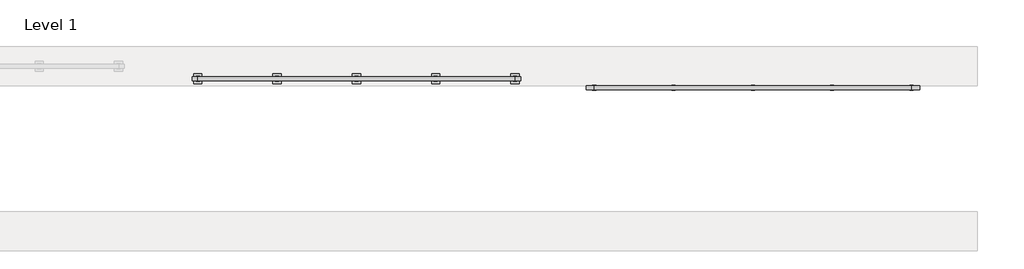
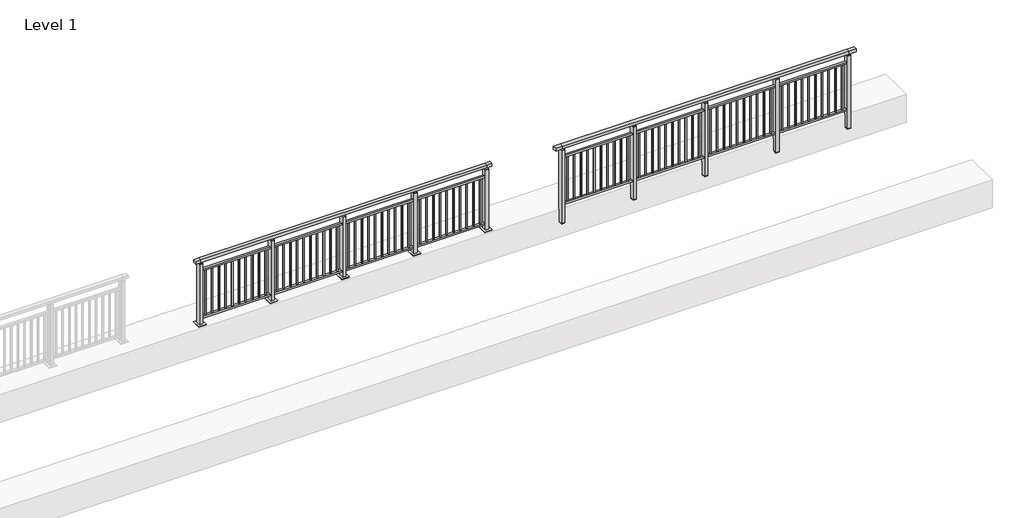
# One storey, part 5 of 38: 2 railings.
"""IFC4 building model written with IfcOpenShell, lengths in millimetres."""

import ifcopenshell
import ifcopenshell.guid

model = None  # the IFC model being written
_history = None  # IfcOwnerHistory: only IFC2X3 demands one
_inside = {}  # id of a spatial element -> (the spatial element, [elements in it])
_under = {}  # id of a project, library or spatial element -> (it, [spatial elements below it])
_declared = {}  # id of a project -> (the project, [libraries it declares])
_typed = {}  # id of a type object -> (the type object, [elements of that type])
_made_of = {}  # id of a material, layer set ... -> (it, [elements and type objects made of it])


def new_model(schema):
    """Start an empty IFC model of exactly this schema.

    Asked for "IFC4X3", IfcOpenShell would pick the latest addendum, in which some entities
    have other attributes; the version numbers below select the first issue.
    IFC2X3 requires an IfcOwnerHistory on every rooted entity: one is made here for all.
    """
    global model, _history
    if schema == "IFC4X3":
        model = ifcopenshell.file(schema_version=(4, 3, 0, 0))
    else:
        model = ifcopenshell.file(schema=schema)
    _inside.clear()
    _under.clear()
    _declared.clear()
    _typed.clear()
    _made_of.clear()
    _history = None
    if model.schema == "IFC2X3":
        org = make("IfcOrganization", Name="unknown")
        user = make(
            "IfcPersonAndOrganization",
            ThePerson=make("IfcPerson", FamilyName="unknown"),
            TheOrganization=org,
        )
        app = make(
            "IfcApplication",
            ApplicationDeveloper=org,
            Version="unknown",
            ApplicationFullName="unknown",
            ApplicationIdentifier="unknown",
        )
        _history = make(
            "IfcOwnerHistory",
            OwningUser=user,
            OwningApplication=app,
            ChangeAction="ADDED",
            CreationDate=0,
        )
    return model


def make(cls, **values):
    """One entity of the class cls with the attributes given. An attribute that is None is left unset."""
    return model.create_entity(
        cls, **{name: value for name, value in values.items() if value is not None}
    )


def rooted(cls, **values):
    """An entity with a GlobalId (a new one), such as an element, a storey or a relation."""
    return make(cls, GlobalId=ifcopenshell.guid.new(), OwnerHistory=_history, **values)


def si_unit(unit_type, name, prefix=None):
    """IfcSIUnit, for example si_unit("LENGTHUNIT", "METRE", prefix="MILLI")."""
    return make("IfcSIUnit", UnitType=unit_type, Prefix=prefix, Name=name)


def assignment(units):
    """IfcUnitAssignment: the units of a project."""
    return None if units is None else make("IfcUnitAssignment", Units=units)


def point(xyz):
    """IfcCartesianPoint."""
    return None if xyz is None else make("IfcCartesianPoint", Coordinates=xyz)


def direction(xyz):
    """IfcDirection."""
    return None if xyz is None else make("IfcDirection", DirectionRatios=xyz)


def frame(location, z_axis=None, x_axis=None):
    """IfcAxis2Placement3D, a coordinate frame: its origin and axes. An axis left out is left unset."""
    return make(
        "IfcAxis2Placement3D",
        Location=point(location),
        Axis=direction(z_axis),
        RefDirection=direction(x_axis),
    )


def origin():
    """The frame at (0, 0, 0) with its axes left unset."""
    return frame((0.0, 0.0, 0.0))


def origin_with_axes():
    """The frame at (0, 0, 0) with the z axis (0, 0, 1) and the x axis (1, 0, 0) written out."""
    return frame((0.0, 0.0, 0.0), z_axis=(0.0, 0.0, 1.0), x_axis=(1.0, 0.0, 0.0))


def place(relative_to, where):
    """IfcLocalPlacement: puts the frame where relative to a parent placement (None: the world)."""
    return make(
        "IfcLocalPlacement", PlacementRelTo=relative_to, RelativePlacement=where
    )


def context(
    kind, dimensions, precision=None, world=None, true_north=None, identifier=None
):
    """IfcGeometricRepresentationContext, for example the 3D "Model" context."""
    return make(
        "IfcGeometricRepresentationContext",
        ContextIdentifier=identifier,
        ContextType=kind,
        CoordinateSpaceDimension=dimensions,
        Precision=precision,
        WorldCoordinateSystem=world,
        TrueNorth=true_north,
    )


def project(units=None, contexts=None):
    """IfcProject with its units and contexts."""
    return rooted(
        "IfcProject",
        Name="project",
        RepresentationContexts=contexts,
        UnitsInContext=assignment(units),
    )


def spatial(cls, under=None, at=None, **own):
    """A site, building, storey or space (cls), placed at a placement, below another one or the project."""
    s = rooted(cls, ObjectPlacement=at, **own)
    if under is not None:
        _under.setdefault(under.id(), (under, []))[1].append(s)
    return s


def polyline(points):
    """IfcPolyline through the points."""
    return make("IfcPolyline", Points=[point(p) for p in points])


def outline(outer, holes=None, kind="AREA"):
    """IfcArbitraryClosedProfileDef: a profile drawn as a closed curve; with holes, ...WithVoids."""
    if holes is None:
        return make("IfcArbitraryClosedProfileDef", ProfileType=kind, OuterCurve=outer)
    return make(
        "IfcArbitraryProfileDefWithVoids",
        ProfileType=kind,
        OuterCurve=outer,
        InnerCurves=holes,
    )


def extrude(swept, where, along, depth):
    """IfcExtrudedAreaSolid: the profile swept, set in the frame where, extruded along a direction by depth."""
    return make(
        "IfcExtrudedAreaSolid",
        SweptArea=swept,
        Position=where,
        ExtrudedDirection=direction(along),
        Depth=depth,
    )


def faces_of(points, faces, orient=None, outer=None):
    """IfcFace entities. A face is a list of loops; a loop is a list of indices into points, from 0.

    orient and outer hold one flag for each loop. By default every Orientation is true, the
    first loop of a face is its IfcFaceOuterBound and the others are IfcFaceBound.
    """
    made = []
    for i, loops in enumerate(faces):
        bounds = []
        for j, loop in enumerate(loops):
            is_outer = j == 0 if outer is None else outer[i][j]
            bounds.append(
                make(
                    "IfcFaceOuterBound" if is_outer else "IfcFaceBound",
                    Bound=make("IfcPolyLoop", Polygon=[points[k] for k in loop]),
                    Orientation=True if orient is None else orient[i][j],
                )
            )
        made.append(make("IfcFace", Bounds=bounds))
    return made


def faceted_brep(points, faces, orient=None, outer=None, voids=None):
    """IfcFacetedBrep: a solid bounded by flat faces; with voids (closed shells), ...WithVoids."""
    shared = [point(p) for p in points]
    hull = make("IfcClosedShell", CfsFaces=faces_of(shared, faces, orient, outer))
    if voids is None:
        return make("IfcFacetedBrep", Outer=hull)
    return make(
        "IfcFacetedBrepWithVoids",
        Outer=hull,
        Voids=[
            make(cls, CfsFaces=faces_of(shared, fs, o, b)) for cls, fs, o, b in voids
        ],
    )


def shape(context_of_items, identifier, shape_type, items):
    """IfcShapeRepresentation: the items that make up one representation, for example the "Body"."""
    return make(
        "IfcShapeRepresentation",
        ContextOfItems=context_of_items,
        RepresentationIdentifier=identifier,
        RepresentationType=shape_type,
        Items=items,
    )


def made_of(thing, what):
    """Note that an element or type object is made of a material, layer set ...; save() writes the relation."""
    if what is not None:
        _made_of.setdefault(what.id(), (what, []))[1].append(thing)
    return thing


def element(
    cls,
    number,
    at=None,
    inside=None,
    cuts=None,
    type_object=None,
    material=None,
    context=None,
    identifier="Body",
    shape_type=None,
    held_by="IfcProductDefinitionShape",
    body=None,
    shapes=None,
    **own,
):
    """One element of the class cls, such as IfcWall. Its Tag is "e" and its number.

    at: its placement. inside: the storey or other place that contains it. cuts: it is an
    opening in that element (IfcRelVoidsElement). A single representation is given by context,
    identifier, shape_type and body (its items); several are given by shapes. held_by: the class
    of the entity that holds the representations. save() writes the other relations.
    """
    e = rooted(cls, Tag="e%d" % number, ObjectPlacement=at, **own)
    if body is not None:
        shapes = [shape(context, identifier, shape_type, body)]
    if shapes is not None:
        e.Representation = make(held_by, Representations=shapes)
    if inside is not None:
        _inside.setdefault(inside.id(), (inside, []))[1].append(e)
    if cuts is not None:
        rooted(
            "IfcRelVoidsElement", RelatingBuildingElement=cuts, RelatedOpeningElement=e
        )
    if type_object is not None:
        _typed.setdefault(type_object.id(), (type_object, []))[1].append(e)
    return made_of(e, material)


def aggregate(whole, parts):
    """IfcRelAggregates: a whole, such as a stair, and the parts it consists of."""
    return rooted("IfcRelAggregates", RelatingObject=whole, RelatedObjects=parts)


def save(model, path):
    """Write the relations noted so far, then the file.

    IfcRelAggregates (storeys below a building ...), IfcRelContainedInSpatialStructure (elements
    in a storey), IfcRelDefinesByType, IfcRelAssociatesMaterial and IfcRelDeclares: one each for
    every whole, place, type object, material and project.
    """
    for whole, parts in _under.values():
        aggregate(whole, parts)
    for where, things in _inside.values():
        rooted(
            "IfcRelContainedInSpatialStructure",
            RelatedElements=things,
            RelatingStructure=where,
        )
    for kind, things in _typed.values():
        rooted("IfcRelDefinesByType", RelatedObjects=things, RelatingType=kind)
    for what, things in _made_of.values():
        rooted("IfcRelAssociatesMaterial", RelatedObjects=things, RelatingMaterial=what)
    for by, libraries in _declared.values():
        rooted("IfcRelDeclares", RelatingContext=by, RelatedDefinitions=libraries)
    model.write(path)


model = new_model("IFC4")

# Units and contexts
model_context = context("Model", 3, world=origin())
ifc_project = project(units=[si_unit("LENGTHUNIT", "METRE", prefix="MILLI")], contexts=[model_context])

# Site, building, storey
site = spatial("IfcSite", under=ifc_project)
building = spatial("IfcBuilding", under=site)
storey = spatial("IfcBuildingStorey", under=building, Name="Level 1", Elevation=0.0)

# Railings
placement = place(None, origin())
element("IfcRailing", 1, at=placement, inside=storey, context=model_context, shape_type="SolidModel", body=[
    faceted_brep([(12000.0, 2397.6846828, 1102.5), (12000.0, 2397.6846828, 1150.0), (16800.0, 2397.6846828, 1150.0), (16800.0, 2397.6846828, 1102.5), (12000.0, 2337.6846828, 1102.5), (16800.0, 2337.6846828, 1102.5), (12000.0, 2337.6846828, 1150.0), (16800.0, 2337.6846828, 1150.0), (11877.0, 2397.6846828, 1150.0), (11877.0, 2397.6846828, 1102.5), (11877.0, 2337.6846828, 1102.5), (11877.0, 2337.6846828, 1150.0), (16923.0, 2397.6846828, 1150.0), (16923.0, 2337.6846828, 1150.0), (16923.0, 2337.6846828, 1102.5), (16923.0, 2397.6846828, 1102.5)], [[[0, 1, 2, 3]], [[4, 0, 3, 5]], [[6, 4, 5, 7]], [[1, 6, 7, 2]], [[8, 9, 10, 11]], [[9, 8, 1, 0]], [[10, 9, 0, 4]], [[11, 10, 4, 6]], [[8, 11, 6, 1]], [[12, 13, 14, 15]], [[3, 2, 12, 15]], [[5, 3, 15, 14]], [[7, 5, 14, 13]], [[2, 7, 13, 12]]]),
    extrude(outline(polyline([(12000.0, 2349.6846828), (12000.0, 2385.6846828), (16800.0, 2385.6846828), (16800.0, 2349.6846828), (12000.0, 2349.6846828)])), frame((0.0, 0.0, 928.0), z_axis=(0.0, 0.0, 1.0), x_axis=(1.0, 0.0, 0.0)), (0.0, 0.0, 1.0), 32.0),
    extrude(outline(polyline([(12000.0, 2349.6846828), (12000.0, 2385.6846828), (16800.0, 2385.6846828), (16800.0, 2349.6846828), (12000.0, 2349.6846828)])), frame((0.0, 0.0, 93.0), z_axis=(0.0, 0.0, 1.0), x_axis=(1.0, 0.0, 0.0)), (0.0, 0.0, 1.0), 32.0),
    extrude(outline(polyline([(16712.5, 2359.1846828), (16695.5, 2359.1846828), (16695.5, 2376.1846828), (16712.5, 2376.1846828), (16712.5, 2359.1846828)])), frame((0.0, 0.0, 125.0), z_axis=(0.0, 0.0, 1.0), x_axis=(1.0, 0.0, 0.0)), (0.0, 0.0, 1.0), 803.0),
    extrude(outline(polyline([(16600.5, 2359.1846828), (16583.5, 2359.1846828), (16583.5, 2376.1846828), (16600.5, 2376.1846828), (16600.5, 2359.1846828)])), frame((0.0, 0.0, 125.0), z_axis=(0.0, 0.0, 1.0), x_axis=(1.0, 0.0, 0.0)), (0.0, 0.0, 1.0), 803.0),
    extrude(outline(polyline([(16488.5, 2359.1846828), (16471.5, 2359.1846828), (16471.5, 2376.1846828), (16488.5, 2376.1846828), (16488.5, 2359.1846828)])), frame((0.0, 0.0, 125.0), z_axis=(0.0, 0.0, 1.0), x_axis=(1.0, 0.0, 0.0)), (0.0, 0.0, 1.0), 803.0),
    extrude(outline(polyline([(16376.5, 2359.1846828), (16359.5, 2359.1846828), (16359.5, 2376.1846828), (16376.5, 2376.1846828), (16376.5, 2359.1846828)])), frame((0.0, 0.0, 125.0), z_axis=(0.0, 0.0, 1.0), x_axis=(1.0, 0.0, 0.0)), (0.0, 0.0, 1.0), 803.0),
    extrude(outline(polyline([(16264.5, 2359.1846828), (16247.5, 2359.1846828), (16247.5, 2376.1846828), (16264.5, 2376.1846828), (16264.5, 2359.1846828)])), frame((0.0, 0.0, 125.0), z_axis=(0.0, 0.0, 1.0), x_axis=(1.0, 0.0, 0.0)), (0.0, 0.0, 1.0), 803.0),
    extrude(outline(polyline([(16152.5, 2359.1846828), (16135.5, 2359.1846828), (16135.5, 2376.1846828), (16152.5, 2376.1846828), (16152.5, 2359.1846828)])), frame((0.0, 0.0, 125.0), z_axis=(0.0, 0.0, 1.0), x_axis=(1.0, 0.0, 0.0)), (0.0, 0.0, 1.0), 803.0),
    extrude(outline(polyline([(16040.5, 2359.1846828), (16023.5, 2359.1846828), (16023.5, 2376.1846828), (16040.5, 2376.1846828), (16040.5, 2359.1846828)])), frame((0.0, 0.0, 125.0), z_axis=(0.0, 0.0, 1.0), x_axis=(1.0, 0.0, 0.0)), (0.0, 0.0, 1.0), 803.0),
    extrude(outline(polyline([(15928.5, 2359.1846828), (15911.5, 2359.1846828), (15911.5, 2376.1846828), (15928.5, 2376.1846828), (15928.5, 2359.1846828)])), frame((0.0, 0.0, 125.0), z_axis=(0.0, 0.0, 1.0), x_axis=(1.0, 0.0, 0.0)), (0.0, 0.0, 1.0), 803.0),
    extrude(outline(polyline([(15816.5, 2359.1846828), (15799.5, 2359.1846828), (15799.5, 2376.1846828), (15816.5, 2376.1846828), (15816.5, 2359.1846828)])), frame((0.0, 0.0, 125.0), z_axis=(0.0, 0.0, 1.0), x_axis=(1.0, 0.0, 0.0)), (0.0, 0.0, 1.0), 803.0),
    extrude(outline(polyline([(15704.5, 2359.1846828), (15687.5, 2359.1846828), (15687.5, 2376.1846828), (15704.5, 2376.1846828), (15704.5, 2359.1846828)])), frame((0.0, 0.0, 125.0), z_axis=(0.0, 0.0, 1.0), x_axis=(1.0, 0.0, 0.0)), (0.0, 0.0, 1.0), 803.0),
    extrude(outline(polyline([(15627.0, 2406.6846828), (15627.0, 2328.6846828), (15573.0, 2328.6846828), (15573.0, 2406.6846828), (15627.0, 2406.6846828)])), frame((0.0, 0.0, 1077.0), z_axis=(0.0, 0.0, 1.0), x_axis=(1.0, 0.0, 0.0)), (0.0, 0.0, 1.0), 8.0),
    extrude(outline(polyline([(15627.0, 2406.6846828), (15627.0, 2328.6846828), (15573.0, 2328.6846828), (15573.0, 2406.6846828), (15627.0, 2406.6846828)])), frame((0.0, 0.0, -212.0), z_axis=(0.0, 0.0, 1.0), x_axis=(1.0, 0.0, 0.0)), (0.0, 0.0, 1.0), 1289.0),
    extrude(outline(polyline([(15610.0, 2377.6846828), (15610.0, 2357.6846828), (15590.0, 2357.6846828), (15590.0, 2377.6846828), (15610.0, 2377.6846828)])), frame((0.0, 0.0, 1085.0), z_axis=(0.0, 0.0, 1.0), x_axis=(1.0, 0.0, 0.0)), (0.0, 0.0, 1.0), 20.0),
    extrude(outline(polyline([(15627.0, 2406.6846828), (15627.0, 2328.6846828), (15573.0, 2328.6846828), (15573.0, 2406.6846828), (15627.0, 2406.6846828)])), frame((0.0, 0.0, -220.0), z_axis=(0.0, 0.0, 1.0), x_axis=(1.0, 0.0, 0.0)), (0.0, 0.0, 1.0), 8.0),
    extrude(outline(polyline([(15512.5, 2359.1846828), (15495.5, 2359.1846828), (15495.5, 2376.1846828), (15512.5, 2376.1846828), (15512.5, 2359.1846828)])), frame((0.0, 0.0, 125.0), z_axis=(0.0, 0.0, 1.0), x_axis=(1.0, 0.0, 0.0)), (0.0, 0.0, 1.0), 803.0),
    extrude(outline(polyline([(15400.5, 2359.1846828), (15383.5, 2359.1846828), (15383.5, 2376.1846828), (15400.5, 2376.1846828), (15400.5, 2359.1846828)])), frame((0.0, 0.0, 125.0), z_axis=(0.0, 0.0, 1.0), x_axis=(1.0, 0.0, 0.0)), (0.0, 0.0, 1.0), 803.0),
    extrude(outline(polyline([(15288.5, 2359.1846828), (15271.5, 2359.1846828), (15271.5, 2376.1846828), (15288.5, 2376.1846828), (15288.5, 2359.1846828)])), frame((0.0, 0.0, 125.0), z_axis=(0.0, 0.0, 1.0), x_axis=(1.0, 0.0, 0.0)), (0.0, 0.0, 1.0), 803.0),
    extrude(outline(polyline([(15176.5, 2359.1846828), (15159.5, 2359.1846828), (15159.5, 2376.1846828), (15176.5, 2376.1846828), (15176.5, 2359.1846828)])), frame((0.0, 0.0, 125.0), z_axis=(0.0, 0.0, 1.0), x_axis=(1.0, 0.0, 0.0)), (0.0, 0.0, 1.0), 803.0),
    extrude(outline(polyline([(15064.5, 2359.1846828), (15047.5, 2359.1846828), (15047.5, 2376.1846828), (15064.5, 2376.1846828), (15064.5, 2359.1846828)])), frame((0.0, 0.0, 125.0), z_axis=(0.0, 0.0, 1.0), x_axis=(1.0, 0.0, 0.0)), (0.0, 0.0, 1.0), 803.0),
    extrude(outline(polyline([(14952.5, 2359.1846828), (14935.5, 2359.1846828), (14935.5, 2376.1846828), (14952.5, 2376.1846828), (14952.5, 2359.1846828)])), frame((0.0, 0.0, 125.0), z_axis=(0.0, 0.0, 1.0), x_axis=(1.0, 0.0, 0.0)), (0.0, 0.0, 1.0), 803.0),
    extrude(outline(polyline([(14840.5, 2359.1846828), (14823.5, 2359.1846828), (14823.5, 2376.1846828), (14840.5, 2376.1846828), (14840.5, 2359.1846828)])), frame((0.0, 0.0, 125.0), z_axis=(0.0, 0.0, 1.0), x_axis=(1.0, 0.0, 0.0)), (0.0, 0.0, 1.0), 803.0),
    extrude(outline(polyline([(14728.5, 2359.1846828), (14711.5, 2359.1846828), (14711.5, 2376.1846828), (14728.5, 2376.1846828), (14728.5, 2359.1846828)])), frame((0.0, 0.0, 125.0), z_axis=(0.0, 0.0, 1.0), x_axis=(1.0, 0.0, 0.0)), (0.0, 0.0, 1.0), 803.0),
    extrude(outline(polyline([(14616.5, 2359.1846828), (14599.5, 2359.1846828), (14599.5, 2376.1846828), (14616.5, 2376.1846828), (14616.5, 2359.1846828)])), frame((0.0, 0.0, 125.0), z_axis=(0.0, 0.0, 1.0), x_axis=(1.0, 0.0, 0.0)), (0.0, 0.0, 1.0), 803.0),
    extrude(outline(polyline([(14504.5, 2359.1846828), (14487.5, 2359.1846828), (14487.5, 2376.1846828), (14504.5, 2376.1846828), (14504.5, 2359.1846828)])), frame((0.0, 0.0, 125.0), z_axis=(0.0, 0.0, 1.0), x_axis=(1.0, 0.0, 0.0)), (0.0, 0.0, 1.0), 803.0),
    extrude(outline(polyline([(14427.0, 2406.6846828), (14427.0, 2328.6846828), (14373.0, 2328.6846828), (14373.0, 2406.6846828), (14427.0, 2406.6846828)])), frame((0.0, 0.0, 1077.0), z_axis=(0.0, 0.0, 1.0), x_axis=(1.0, 0.0, 0.0)), (0.0, 0.0, 1.0), 8.0),
    extrude(outline(polyline([(14427.0, 2406.6846828), (14427.0, 2328.6846828), (14373.0, 2328.6846828), (14373.0, 2406.6846828), (14427.0, 2406.6846828)])), frame((0.0, 0.0, -212.0), z_axis=(0.0, 0.0, 1.0), x_axis=(1.0, 0.0, 0.0)), (0.0, 0.0, 1.0), 1289.0),
    extrude(outline(polyline([(14410.0, 2377.6846828), (14410.0, 2357.6846828), (14390.0, 2357.6846828), (14390.0, 2377.6846828), (14410.0, 2377.6846828)])), frame((0.0, 0.0, 1085.0), z_axis=(0.0, 0.0, 1.0), x_axis=(1.0, 0.0, 0.0)), (0.0, 0.0, 1.0), 20.0),
    extrude(outline(polyline([(14427.0, 2406.6846828), (14427.0, 2328.6846828), (14373.0, 2328.6846828), (14373.0, 2406.6846828), (14427.0, 2406.6846828)])), frame((0.0, 0.0, -220.0), z_axis=(0.0, 0.0, 1.0), x_axis=(1.0, 0.0, 0.0)), (0.0, 0.0, 1.0), 8.0),
    extrude(outline(polyline([(14312.5, 2359.1846828), (14295.5, 2359.1846828), (14295.5, 2376.1846828), (14312.5, 2376.1846828), (14312.5, 2359.1846828)])), frame((0.0, 0.0, 125.0), z_axis=(0.0, 0.0, 1.0), x_axis=(1.0, 0.0, 0.0)), (0.0, 0.0, 1.0), 803.0),
    extrude(outline(polyline([(14200.5, 2359.1846828), (14183.5, 2359.1846828), (14183.5, 2376.1846828), (14200.5, 2376.1846828), (14200.5, 2359.1846828)])), frame((0.0, 0.0, 125.0), z_axis=(0.0, 0.0, 1.0), x_axis=(1.0, 0.0, 0.0)), (0.0, 0.0, 1.0), 803.0),
    extrude(outline(polyline([(14088.5, 2359.1846828), (14071.5, 2359.1846828), (14071.5, 2376.1846828), (14088.5, 2376.1846828), (14088.5, 2359.1846828)])), frame((0.0, 0.0, 125.0), z_axis=(0.0, 0.0, 1.0), x_axis=(1.0, 0.0, 0.0)), (0.0, 0.0, 1.0), 803.0),
    extrude(outline(polyline([(13976.5, 2359.1846828), (13959.5, 2359.1846828), (13959.5, 2376.1846828), (13976.5, 2376.1846828), (13976.5, 2359.1846828)])), frame((0.0, 0.0, 125.0), z_axis=(0.0, 0.0, 1.0), x_axis=(1.0, 0.0, 0.0)), (0.0, 0.0, 1.0), 803.0),
    extrude(outline(polyline([(13864.5, 2359.1846828), (13847.5, 2359.1846828), (13847.5, 2376.1846828), (13864.5, 2376.1846828), (13864.5, 2359.1846828)])), frame((0.0, 0.0, 125.0), z_axis=(0.0, 0.0, 1.0), x_axis=(1.0, 0.0, 0.0)), (0.0, 0.0, 1.0), 803.0),
    extrude(outline(polyline([(13752.5, 2359.1846828), (13735.5, 2359.1846828), (13735.5, 2376.1846828), (13752.5, 2376.1846828), (13752.5, 2359.1846828)])), frame((0.0, 0.0, 125.0), z_axis=(0.0, 0.0, 1.0), x_axis=(1.0, 0.0, 0.0)), (0.0, 0.0, 1.0), 803.0),
    extrude(outline(polyline([(13640.5, 2359.1846828), (13623.5, 2359.1846828), (13623.5, 2376.1846828), (13640.5, 2376.1846828), (13640.5, 2359.1846828)])), frame((0.0, 0.0, 125.0), z_axis=(0.0, 0.0, 1.0), x_axis=(1.0, 0.0, 0.0)), (0.0, 0.0, 1.0), 803.0),
    extrude(outline(polyline([(13528.5, 2359.1846828), (13511.5, 2359.1846828), (13511.5, 2376.1846828), (13528.5, 2376.1846828), (13528.5, 2359.1846828)])), frame((0.0, 0.0, 125.0), z_axis=(0.0, 0.0, 1.0), x_axis=(1.0, 0.0, 0.0)), (0.0, 0.0, 1.0), 803.0),
    extrude(outline(polyline([(13416.5, 2359.1846828), (13399.5, 2359.1846828), (13399.5, 2376.1846828), (13416.5, 2376.1846828), (13416.5, 2359.1846828)])), frame((0.0, 0.0, 125.0), z_axis=(0.0, 0.0, 1.0), x_axis=(1.0, 0.0, 0.0)), (0.0, 0.0, 1.0), 803.0),
    extrude(outline(polyline([(13304.5, 2359.1846828), (13287.5, 2359.1846828), (13287.5, 2376.1846828), (13304.5, 2376.1846828), (13304.5, 2359.1846828)])), frame((0.0, 0.0, 125.0), z_axis=(0.0, 0.0, 1.0), x_axis=(1.0, 0.0, 0.0)), (0.0, 0.0, 1.0), 803.0),
    extrude(outline(polyline([(13227.0, 2406.6846828), (13227.0, 2328.6846828), (13173.0, 2328.6846828), (13173.0, 2406.6846828), (13227.0, 2406.6846828)])), frame((0.0, 0.0, 1077.0), z_axis=(0.0, 0.0, 1.0), x_axis=(1.0, 0.0, 0.0)), (0.0, 0.0, 1.0), 8.0),
    extrude(outline(polyline([(13227.0, 2406.6846828), (13227.0, 2328.6846828), (13173.0, 2328.6846828), (13173.0, 2406.6846828), (13227.0, 2406.6846828)])), frame((0.0, 0.0, -212.0), z_axis=(0.0, 0.0, 1.0), x_axis=(1.0, 0.0, 0.0)), (0.0, 0.0, 1.0), 1289.0),
    extrude(outline(polyline([(13210.0, 2377.6846828), (13210.0, 2357.6846828), (13190.0, 2357.6846828), (13190.0, 2377.6846828), (13210.0, 2377.6846828)])), frame((0.0, 0.0, 1085.0), z_axis=(0.0, 0.0, 1.0), x_axis=(1.0, 0.0, 0.0)), (0.0, 0.0, 1.0), 20.0),
    extrude(outline(polyline([(13227.0, 2406.6846828), (13227.0, 2328.6846828), (13173.0, 2328.6846828), (13173.0, 2406.6846828), (13227.0, 2406.6846828)])), frame((0.0, 0.0, -220.0), z_axis=(0.0, 0.0, 1.0), x_axis=(1.0, 0.0, 0.0)), (0.0, 0.0, 1.0), 8.0),
    extrude(outline(polyline([(13112.5, 2359.1846828), (13095.5, 2359.1846828), (13095.5, 2376.1846828), (13112.5, 2376.1846828), (13112.5, 2359.1846828)])), frame((0.0, 0.0, 125.0), z_axis=(0.0, 0.0, 1.0), x_axis=(1.0, 0.0, 0.0)), (0.0, 0.0, 1.0), 803.0),
    extrude(outline(polyline([(13000.5, 2359.1846828), (12983.5, 2359.1846828), (12983.5, 2376.1846828), (13000.5, 2376.1846828), (13000.5, 2359.1846828)])), frame((0.0, 0.0, 125.0), z_axis=(0.0, 0.0, 1.0), x_axis=(1.0, 0.0, 0.0)), (0.0, 0.0, 1.0), 803.0),
    extrude(outline(polyline([(12888.5, 2359.1846828), (12871.5, 2359.1846828), (12871.5, 2376.1846828), (12888.5, 2376.1846828), (12888.5, 2359.1846828)])), frame((0.0, 0.0, 125.0), z_axis=(0.0, 0.0, 1.0), x_axis=(1.0, 0.0, 0.0)), (0.0, 0.0, 1.0), 803.0),
    extrude(outline(polyline([(12776.5, 2359.1846828), (12759.5, 2359.1846828), (12759.5, 2376.1846828), (12776.5, 2376.1846828), (12776.5, 2359.1846828)])), frame((0.0, 0.0, 125.0), z_axis=(0.0, 0.0, 1.0), x_axis=(1.0, 0.0, 0.0)), (0.0, 0.0, 1.0), 803.0),
    extrude(outline(polyline([(12664.5, 2359.1846828), (12647.5, 2359.1846828), (12647.5, 2376.1846828), (12664.5, 2376.1846828), (12664.5, 2359.1846828)])), frame((0.0, 0.0, 125.0), z_axis=(0.0, 0.0, 1.0), x_axis=(1.0, 0.0, 0.0)), (0.0, 0.0, 1.0), 803.0),
    extrude(outline(polyline([(12552.5, 2359.1846828), (12535.5, 2359.1846828), (12535.5, 2376.1846828), (12552.5, 2376.1846828), (12552.5, 2359.1846828)])), frame((0.0, 0.0, 125.0), z_axis=(0.0, 0.0, 1.0), x_axis=(1.0, 0.0, 0.0)), (0.0, 0.0, 1.0), 803.0),
    extrude(outline(polyline([(12440.5, 2359.1846828), (12423.5, 2359.1846828), (12423.5, 2376.1846828), (12440.5, 2376.1846828), (12440.5, 2359.1846828)])), frame((0.0, 0.0, 125.0), z_axis=(0.0, 0.0, 1.0), x_axis=(1.0, 0.0, 0.0)), (0.0, 0.0, 1.0), 803.0),
    extrude(outline(polyline([(12328.5, 2359.1846828), (12311.5, 2359.1846828), (12311.5, 2376.1846828), (12328.5, 2376.1846828), (12328.5, 2359.1846828)])), frame((0.0, 0.0, 125.0), z_axis=(0.0, 0.0, 1.0), x_axis=(1.0, 0.0, 0.0)), (0.0, 0.0, 1.0), 803.0),
    extrude(outline(polyline([(12216.5, 2359.1846828), (12199.5, 2359.1846828), (12199.5, 2376.1846828), (12216.5, 2376.1846828), (12216.5, 2359.1846828)])), frame((0.0, 0.0, 125.0), z_axis=(0.0, 0.0, 1.0), x_axis=(1.0, 0.0, 0.0)), (0.0, 0.0, 1.0), 803.0),
    extrude(outline(polyline([(12104.5, 2359.1846828), (12087.5, 2359.1846828), (12087.5, 2376.1846828), (12104.5, 2376.1846828), (12104.5, 2359.1846828)])), frame((0.0, 0.0, 125.0), z_axis=(0.0, 0.0, 1.0), x_axis=(1.0, 0.0, 0.0)), (0.0, 0.0, 1.0), 803.0),
    extrude(outline(polyline([(16827.0, 2406.6846828), (16827.0, 2328.6846828), (16773.0, 2328.6846828), (16773.0, 2406.6846828), (16827.0, 2406.6846828)])), frame((0.0, 0.0, 1077.0), z_axis=(0.0, 0.0, 1.0), x_axis=(1.0, 0.0, 0.0)), (0.0, 0.0, 1.0), 8.0),
    extrude(outline(polyline([(16827.0, 2406.6846828), (16827.0, 2328.6846828), (16773.0, 2328.6846828), (16773.0, 2406.6846828), (16827.0, 2406.6846828)])), frame((0.0, 0.0, -212.0), z_axis=(0.0, 0.0, 1.0), x_axis=(1.0, 0.0, 0.0)), (0.0, 0.0, 1.0), 1289.0),
    extrude(outline(polyline([(16810.0, 2377.6846828), (16810.0, 2357.6846828), (16790.0, 2357.6846828), (16790.0, 2377.6846828), (16810.0, 2377.6846828)])), frame((0.0, 0.0, 1085.0), z_axis=(0.0, 0.0, 1.0), x_axis=(1.0, 0.0, 0.0)), (0.0, 0.0, 1.0), 20.0),
    extrude(outline(polyline([(16827.0, 2406.6846828), (16827.0, 2328.6846828), (16773.0, 2328.6846828), (16773.0, 2406.6846828), (16827.0, 2406.6846828)])), frame((0.0, 0.0, -220.0), z_axis=(0.0, 0.0, 1.0), x_axis=(1.0, 0.0, 0.0)), (0.0, 0.0, 1.0), 8.0),
    extrude(outline(polyline([(12027.0, 2406.6846828), (12027.0, 2328.6846828), (11973.0, 2328.6846828), (11973.0, 2406.6846828), (12027.0, 2406.6846828)])), frame((0.0, 0.0, 1077.0), z_axis=(0.0, 0.0, 1.0), x_axis=(1.0, 0.0, 0.0)), (0.0, 0.0, 1.0), 8.0),
    extrude(outline(polyline([(12027.0, 2406.6846828), (12027.0, 2328.6846828), (11973.0, 2328.6846828), (11973.0, 2406.6846828), (12027.0, 2406.6846828)])), frame((0.0, 0.0, -212.0), z_axis=(0.0, 0.0, 1.0), x_axis=(1.0, 0.0, 0.0)), (0.0, 0.0, 1.0), 1289.0),
    extrude(outline(polyline([(12010.0, 2377.6846828), (12010.0, 2357.6846828), (11990.0, 2357.6846828), (11990.0, 2377.6846828), (12010.0, 2377.6846828)])), frame((0.0, 0.0, 1085.0), z_axis=(0.0, 0.0, 1.0), x_axis=(1.0, 0.0, 0.0)), (0.0, 0.0, 1.0), 20.0),
    extrude(outline(polyline([(12027.0, 2406.6846828), (12027.0, 2328.6846828), (11973.0, 2328.6846828), (11973.0, 2406.6846828), (12027.0, 2406.6846828)])), frame((0.0, 0.0, -220.0), z_axis=(0.0, 0.0, 1.0), x_axis=(1.0, 0.0, 0.0)), (0.0, 0.0, 1.0), 8.0),
])
element("IfcRailing", 2, at=placement, inside=storey, context=model_context, shape_type="SolidModel", body=[
    faceted_brep([(6000.0, 2530.1846828, 1102.5), (6000.0, 2530.1846828, 1150.0), (10800.0, 2530.1846828, 1150.0), (10800.0, 2530.1846828, 1102.5), (6000.0, 2470.1846828, 1102.5), (10800.0, 2470.1846828, 1102.5), (6000.0, 2470.1846828, 1150.0), (10800.0, 2470.1846828, 1150.0), (5912.5, 2530.1846828, 1150.0), (5912.5, 2530.1846828, 1102.5), (5912.5, 2470.1846828, 1102.5), (5912.5, 2470.1846828, 1150.0), (10887.5, 2530.1846828, 1150.0), (10887.5, 2470.1846828, 1150.0), (10887.5, 2470.1846828, 1102.5), (10887.5, 2530.1846828, 1102.5)], [[[0, 1, 2, 3]], [[4, 0, 3, 5]], [[6, 4, 5, 7]], [[1, 6, 7, 2]], [[8, 9, 10, 11]], [[9, 8, 1, 0]], [[10, 9, 0, 4]], [[11, 10, 4, 6]], [[8, 11, 6, 1]], [[12, 13, 14, 15]], [[3, 2, 12, 15]], [[5, 3, 15, 14]], [[7, 5, 14, 13]], [[2, 7, 13, 12]]]),
    extrude(outline(polyline([(6000.0, 2482.1846828), (6000.0, 2518.1846828), (10800.0, 2518.1846828), (10800.0, 2482.1846828), (6000.0, 2482.1846828)])), frame((0.0, 0.0, 928.0), z_axis=(0.0, 0.0, 1.0), x_axis=(1.0, 0.0, 0.0)), (0.0, 0.0, 1.0), 32.0),
    extrude(outline(polyline([(6000.0, 2482.1846828), (6000.0, 2518.1846828), (10800.0, 2518.1846828), (10800.0, 2482.1846828), (6000.0, 2482.1846828)])), frame((0.0, 0.0, 93.0), z_axis=(0.0, 0.0, 1.0), x_axis=(1.0, 0.0, 0.0)), (0.0, 0.0, 1.0), 32.0),
    extrude(outline(polyline([(10712.5, 2508.6846828), (10712.5, 2491.6846828), (10695.5, 2491.6846828), (10695.5, 2508.6846828), (10712.5, 2508.6846828)])), frame((0.0, 0.0, 125.0), z_axis=(0.0, 0.0, 1.0), x_axis=(1.0, 0.0, 0.0)), (0.0, 0.0, 1.0), 803.0),
    extrude(outline(polyline([(10600.5, 2508.6846828), (10600.5, 2491.6846828), (10583.5, 2491.6846828), (10583.5, 2508.6846828), (10600.5, 2508.6846828)])), frame((0.0, 0.0, 125.0), z_axis=(0.0, 0.0, 1.0), x_axis=(1.0, 0.0, 0.0)), (0.0, 0.0, 1.0), 803.0),
    extrude(outline(polyline([(10488.5, 2508.6846828), (10488.5, 2491.6846828), (10471.5, 2491.6846828), (10471.5, 2508.6846828), (10488.5, 2508.6846828)])), frame((0.0, 0.0, 125.0), z_axis=(0.0, 0.0, 1.0), x_axis=(1.0, 0.0, 0.0)), (0.0, 0.0, 1.0), 803.0),
    extrude(outline(polyline([(10376.5, 2508.6846828), (10376.5, 2491.6846828), (10359.5, 2491.6846828), (10359.5, 2508.6846828), (10376.5, 2508.6846828)])), frame((0.0, 0.0, 125.0), z_axis=(0.0, 0.0, 1.0), x_axis=(1.0, 0.0, 0.0)), (0.0, 0.0, 1.0), 803.0),
    extrude(outline(polyline([(10264.5, 2508.6846828), (10264.5, 2491.6846828), (10247.5, 2491.6846828), (10247.5, 2508.6846828), (10264.5, 2508.6846828)])), frame((0.0, 0.0, 125.0), z_axis=(0.0, 0.0, 1.0), x_axis=(1.0, 0.0, 0.0)), (0.0, 0.0, 1.0), 803.0),
    extrude(outline(polyline([(10152.5, 2508.6846828), (10152.5, 2491.6846828), (10135.5, 2491.6846828), (10135.5, 2508.6846828), (10152.5, 2508.6846828)])), frame((0.0, 0.0, 125.0), z_axis=(0.0, 0.0, 1.0), x_axis=(1.0, 0.0, 0.0)), (0.0, 0.0, 1.0), 803.0),
    extrude(outline(polyline([(10040.5, 2508.6846828), (10040.5, 2491.6846828), (10023.5, 2491.6846828), (10023.5, 2508.6846828), (10040.5, 2508.6846828)])), frame((0.0, 0.0, 125.0), z_axis=(0.0, 0.0, 1.0), x_axis=(1.0, 0.0, 0.0)), (0.0, 0.0, 1.0), 803.0),
    extrude(outline(polyline([(9928.5, 2508.6846828), (9928.5, 2491.6846828), (9911.5, 2491.6846828), (9911.5, 2508.6846828), (9928.5, 2508.6846828)])), frame((0.0, 0.0, 125.0), z_axis=(0.0, 0.0, 1.0), x_axis=(1.0, 0.0, 0.0)), (0.0, 0.0, 1.0), 803.0),
    extrude(outline(polyline([(9816.5, 2508.6846828), (9816.5, 2491.6846828), (9799.5, 2491.6846828), (9799.5, 2508.6846828), (9816.5, 2508.6846828)])), frame((0.0, 0.0, 125.0), z_axis=(0.0, 0.0, 1.0), x_axis=(1.0, 0.0, 0.0)), (0.0, 0.0, 1.0), 803.0),
    extrude(outline(polyline([(9704.5, 2508.6846828), (9704.5, 2491.6846828), (9687.5, 2491.6846828), (9687.5, 2508.6846828), (9704.5, 2508.6846828)])), frame((0.0, 0.0, 125.0), z_axis=(0.0, 0.0, 1.0), x_axis=(1.0, 0.0, 0.0)), (0.0, 0.0, 1.0), 803.0),
    extrude(outline(polyline([(9610.0, 2490.1846828), (9590.0, 2490.1846828), (9590.0, 2510.1846828), (9610.0, 2510.1846828), (9610.0, 2490.1846828)])), frame((0.0, 0.0, 1085.0), z_axis=(0.0, 0.0, 1.0), x_axis=(1.0, 0.0, 0.0)), (0.0, 0.0, 1.0), 20.0),
    extrude(outline(polyline([(9627.0, 2461.1846828), (9573.0, 2461.1846828), (9573.0, 2539.1846828), (9627.0, 2539.1846828), (9627.0, 2461.1846828)])), frame((0.0, 0.0, 1077.0), z_axis=(0.0, 0.0, 1.0), x_axis=(1.0, 0.0, 0.0)), (0.0, 0.0, 1.0), 8.0),
    extrude(outline(polyline([(9662.5, 2425.1846828), (9537.5, 2425.1846828), (9537.5, 2575.1846828), (9662.5, 2575.1846828), (9662.5, 2425.1846828)])), origin_with_axes(), (0.0, 0.0, 1.0), 12.0),
    extrude(outline(polyline([(9627.0, 2461.1846828), (9573.0, 2461.1846828), (9573.0, 2539.1846828), (9627.0, 2539.1846828), (9627.0, 2461.1846828)])), frame((0.0, 0.0, 12.0), z_axis=(0.0, 0.0, 1.0), x_axis=(1.0, 0.0, 0.0)), (0.0, 0.0, 1.0), 1065.0),
    extrude(outline(polyline([(9512.5, 2508.6846828), (9512.5, 2491.6846828), (9495.5, 2491.6846828), (9495.5, 2508.6846828), (9512.5, 2508.6846828)])), frame((0.0, 0.0, 125.0), z_axis=(0.0, 0.0, 1.0), x_axis=(1.0, 0.0, 0.0)), (0.0, 0.0, 1.0), 803.0),
    extrude(outline(polyline([(9400.5, 2508.6846828), (9400.5, 2491.6846828), (9383.5, 2491.6846828), (9383.5, 2508.6846828), (9400.5, 2508.6846828)])), frame((0.0, 0.0, 125.0), z_axis=(0.0, 0.0, 1.0), x_axis=(1.0, 0.0, 0.0)), (0.0, 0.0, 1.0), 803.0),
    extrude(outline(polyline([(9288.5, 2508.6846828), (9288.5, 2491.6846828), (9271.5, 2491.6846828), (9271.5, 2508.6846828), (9288.5, 2508.6846828)])), frame((0.0, 0.0, 125.0), z_axis=(0.0, 0.0, 1.0), x_axis=(1.0, 0.0, 0.0)), (0.0, 0.0, 1.0), 803.0),
    extrude(outline(polyline([(9176.5, 2508.6846828), (9176.5, 2491.6846828), (9159.5, 2491.6846828), (9159.5, 2508.6846828), (9176.5, 2508.6846828)])), frame((0.0, 0.0, 125.0), z_axis=(0.0, 0.0, 1.0), x_axis=(1.0, 0.0, 0.0)), (0.0, 0.0, 1.0), 803.0),
    extrude(outline(polyline([(9064.5, 2508.6846828), (9064.5, 2491.6846828), (9047.5, 2491.6846828), (9047.5, 2508.6846828), (9064.5, 2508.6846828)])), frame((0.0, 0.0, 125.0), z_axis=(0.0, 0.0, 1.0), x_axis=(1.0, 0.0, 0.0)), (0.0, 0.0, 1.0), 803.0),
    extrude(outline(polyline([(8952.5, 2508.6846828), (8952.5, 2491.6846828), (8935.5, 2491.6846828), (8935.5, 2508.6846828), (8952.5, 2508.6846828)])), frame((0.0, 0.0, 125.0), z_axis=(0.0, 0.0, 1.0), x_axis=(1.0, 0.0, 0.0)), (0.0, 0.0, 1.0), 803.0),
    extrude(outline(polyline([(8840.5, 2508.6846828), (8840.5, 2491.6846828), (8823.5, 2491.6846828), (8823.5, 2508.6846828), (8840.5, 2508.6846828)])), frame((0.0, 0.0, 125.0), z_axis=(0.0, 0.0, 1.0), x_axis=(1.0, 0.0, 0.0)), (0.0, 0.0, 1.0), 803.0),
    extrude(outline(polyline([(8728.5, 2508.6846828), (8728.5, 2491.6846828), (8711.5, 2491.6846828), (8711.5, 2508.6846828), (8728.5, 2508.6846828)])), frame((0.0, 0.0, 125.0), z_axis=(0.0, 0.0, 1.0), x_axis=(1.0, 0.0, 0.0)), (0.0, 0.0, 1.0), 803.0),
    extrude(outline(polyline([(8616.5, 2508.6846828), (8616.5, 2491.6846828), (8599.5, 2491.6846828), (8599.5, 2508.6846828), (8616.5, 2508.6846828)])), frame((0.0, 0.0, 125.0), z_axis=(0.0, 0.0, 1.0), x_axis=(1.0, 0.0, 0.0)), (0.0, 0.0, 1.0), 803.0),
    extrude(outline(polyline([(8504.5, 2508.6846828), (8504.5, 2491.6846828), (8487.5, 2491.6846828), (8487.5, 2508.6846828), (8504.5, 2508.6846828)])), frame((0.0, 0.0, 125.0), z_axis=(0.0, 0.0, 1.0), x_axis=(1.0, 0.0, 0.0)), (0.0, 0.0, 1.0), 803.0),
    extrude(outline(polyline([(8410.0, 2490.1846828), (8390.0, 2490.1846828), (8390.0, 2510.1846828), (8410.0, 2510.1846828), (8410.0, 2490.1846828)])), frame((0.0, 0.0, 1085.0), z_axis=(0.0, 0.0, 1.0), x_axis=(1.0, 0.0, 0.0)), (0.0, 0.0, 1.0), 20.0),
    extrude(outline(polyline([(8427.0, 2461.1846828), (8373.0, 2461.1846828), (8373.0, 2539.1846828), (8427.0, 2539.1846828), (8427.0, 2461.1846828)])), frame((0.0, 0.0, 1077.0), z_axis=(0.0, 0.0, 1.0), x_axis=(1.0, 0.0, 0.0)), (0.0, 0.0, 1.0), 8.0),
    extrude(outline(polyline([(8462.5, 2425.1846828), (8337.5, 2425.1846828), (8337.5, 2575.1846828), (8462.5, 2575.1846828), (8462.5, 2425.1846828)])), origin_with_axes(), (0.0, 0.0, 1.0), 12.0),
    extrude(outline(polyline([(8427.0, 2461.1846828), (8373.0, 2461.1846828), (8373.0, 2539.1846828), (8427.0, 2539.1846828), (8427.0, 2461.1846828)])), frame((0.0, 0.0, 12.0), z_axis=(0.0, 0.0, 1.0), x_axis=(1.0, 0.0, 0.0)), (0.0, 0.0, 1.0), 1065.0),
    extrude(outline(polyline([(8312.5, 2508.6846828), (8312.5, 2491.6846828), (8295.5, 2491.6846828), (8295.5, 2508.6846828), (8312.5, 2508.6846828)])), frame((0.0, 0.0, 125.0), z_axis=(0.0, 0.0, 1.0), x_axis=(1.0, 0.0, 0.0)), (0.0, 0.0, 1.0), 803.0),
    extrude(outline(polyline([(8200.5, 2508.6846828), (8200.5, 2491.6846828), (8183.5, 2491.6846828), (8183.5, 2508.6846828), (8200.5, 2508.6846828)])), frame((0.0, 0.0, 125.0), z_axis=(0.0, 0.0, 1.0), x_axis=(1.0, 0.0, 0.0)), (0.0, 0.0, 1.0), 803.0),
    extrude(outline(polyline([(8088.5, 2508.6846828), (8088.5, 2491.6846828), (8071.5, 2491.6846828), (8071.5, 2508.6846828), (8088.5, 2508.6846828)])), frame((0.0, 0.0, 125.0), z_axis=(0.0, 0.0, 1.0), x_axis=(1.0, 0.0, 0.0)), (0.0, 0.0, 1.0), 803.0),
    extrude(outline(polyline([(7976.5, 2508.6846828), (7976.5, 2491.6846828), (7959.5, 2491.6846828), (7959.5, 2508.6846828), (7976.5, 2508.6846828)])), frame((0.0, 0.0, 125.0), z_axis=(0.0, 0.0, 1.0), x_axis=(1.0, 0.0, 0.0)), (0.0, 0.0, 1.0), 803.0),
    extrude(outline(polyline([(7864.5, 2508.6846828), (7864.5, 2491.6846828), (7847.5, 2491.6846828), (7847.5, 2508.6846828), (7864.5, 2508.6846828)])), frame((0.0, 0.0, 125.0), z_axis=(0.0, 0.0, 1.0), x_axis=(1.0, 0.0, 0.0)), (0.0, 0.0, 1.0), 803.0),
    extrude(outline(polyline([(7752.5, 2508.6846828), (7752.5, 2491.6846828), (7735.5, 2491.6846828), (7735.5, 2508.6846828), (7752.5, 2508.6846828)])), frame((0.0, 0.0, 125.0), z_axis=(0.0, 0.0, 1.0), x_axis=(1.0, 0.0, 0.0)), (0.0, 0.0, 1.0), 803.0),
    extrude(outline(polyline([(7640.5, 2508.6846828), (7640.5, 2491.6846828), (7623.5, 2491.6846828), (7623.5, 2508.6846828), (7640.5, 2508.6846828)])), frame((0.0, 0.0, 125.0), z_axis=(0.0, 0.0, 1.0), x_axis=(1.0, 0.0, 0.0)), (0.0, 0.0, 1.0), 803.0),
    extrude(outline(polyline([(7528.5, 2508.6846828), (7528.5, 2491.6846828), (7511.5, 2491.6846828), (7511.5, 2508.6846828), (7528.5, 2508.6846828)])), frame((0.0, 0.0, 125.0), z_axis=(0.0, 0.0, 1.0), x_axis=(1.0, 0.0, 0.0)), (0.0, 0.0, 1.0), 803.0),
    extrude(outline(polyline([(7416.5, 2508.6846828), (7416.5, 2491.6846828), (7399.5, 2491.6846828), (7399.5, 2508.6846828), (7416.5, 2508.6846828)])), frame((0.0, 0.0, 125.0), z_axis=(0.0, 0.0, 1.0), x_axis=(1.0, 0.0, 0.0)), (0.0, 0.0, 1.0), 803.0),
    extrude(outline(polyline([(7304.5, 2508.6846828), (7304.5, 2491.6846828), (7287.5, 2491.6846828), (7287.5, 2508.6846828), (7304.5, 2508.6846828)])), frame((0.0, 0.0, 125.0), z_axis=(0.0, 0.0, 1.0), x_axis=(1.0, 0.0, 0.0)), (0.0, 0.0, 1.0), 803.0),
    extrude(outline(polyline([(7210.0, 2490.1846828), (7190.0, 2490.1846828), (7190.0, 2510.1846828), (7210.0, 2510.1846828), (7210.0, 2490.1846828)])), frame((0.0, 0.0, 1085.0), z_axis=(0.0, 0.0, 1.0), x_axis=(1.0, 0.0, 0.0)), (0.0, 0.0, 1.0), 20.0),
    extrude(outline(polyline([(7227.0, 2461.1846828), (7173.0, 2461.1846828), (7173.0, 2539.1846828), (7227.0, 2539.1846828), (7227.0, 2461.1846828)])), frame((0.0, 0.0, 1077.0), z_axis=(0.0, 0.0, 1.0), x_axis=(1.0, 0.0, 0.0)), (0.0, 0.0, 1.0), 8.0),
    extrude(outline(polyline([(7262.5, 2425.1846828), (7137.5, 2425.1846828), (7137.5, 2575.1846828), (7262.5, 2575.1846828), (7262.5, 2425.1846828)])), origin_with_axes(), (0.0, 0.0, 1.0), 12.0),
    extrude(outline(polyline([(7227.0, 2461.1846828), (7173.0, 2461.1846828), (7173.0, 2539.1846828), (7227.0, 2539.1846828), (7227.0, 2461.1846828)])), frame((0.0, 0.0, 12.0), z_axis=(0.0, 0.0, 1.0), x_axis=(1.0, 0.0, 0.0)), (0.0, 0.0, 1.0), 1065.0),
    extrude(outline(polyline([(7112.5, 2508.6846828), (7112.5, 2491.6846828), (7095.5, 2491.6846828), (7095.5, 2508.6846828), (7112.5, 2508.6846828)])), frame((0.0, 0.0, 125.0), z_axis=(0.0, 0.0, 1.0), x_axis=(1.0, 0.0, 0.0)), (0.0, 0.0, 1.0), 803.0),
    extrude(outline(polyline([(7000.5, 2508.6846828), (7000.5, 2491.6846828), (6983.5, 2491.6846828), (6983.5, 2508.6846828), (7000.5, 2508.6846828)])), frame((0.0, 0.0, 125.0), z_axis=(0.0, 0.0, 1.0), x_axis=(1.0, 0.0, 0.0)), (0.0, 0.0, 1.0), 803.0),
    extrude(outline(polyline([(6888.5, 2508.6846828), (6888.5, 2491.6846828), (6871.5, 2491.6846828), (6871.5, 2508.6846828), (6888.5, 2508.6846828)])), frame((0.0, 0.0, 125.0), z_axis=(0.0, 0.0, 1.0), x_axis=(1.0, 0.0, 0.0)), (0.0, 0.0, 1.0), 803.0),
    extrude(outline(polyline([(6776.5, 2508.6846828), (6776.5, 2491.6846828), (6759.5, 2491.6846828), (6759.5, 2508.6846828), (6776.5, 2508.6846828)])), frame((0.0, 0.0, 125.0), z_axis=(0.0, 0.0, 1.0), x_axis=(1.0, 0.0, 0.0)), (0.0, 0.0, 1.0), 803.0),
    extrude(outline(polyline([(6664.5, 2508.6846828), (6664.5, 2491.6846828), (6647.5, 2491.6846828), (6647.5, 2508.6846828), (6664.5, 2508.6846828)])), frame((0.0, 0.0, 125.0), z_axis=(0.0, 0.0, 1.0), x_axis=(1.0, 0.0, 0.0)), (0.0, 0.0, 1.0), 803.0),
    extrude(outline(polyline([(6552.5, 2508.6846828), (6552.5, 2491.6846828), (6535.5, 2491.6846828), (6535.5, 2508.6846828), (6552.5, 2508.6846828)])), frame((0.0, 0.0, 125.0), z_axis=(0.0, 0.0, 1.0), x_axis=(1.0, 0.0, 0.0)), (0.0, 0.0, 1.0), 803.0),
    extrude(outline(polyline([(6440.5, 2508.6846828), (6440.5, 2491.6846828), (6423.5, 2491.6846828), (6423.5, 2508.6846828), (6440.5, 2508.6846828)])), frame((0.0, 0.0, 125.0), z_axis=(0.0, 0.0, 1.0), x_axis=(1.0, 0.0, 0.0)), (0.0, 0.0, 1.0), 803.0),
    extrude(outline(polyline([(6328.5, 2508.6846828), (6328.5, 2491.6846828), (6311.5, 2491.6846828), (6311.5, 2508.6846828), (6328.5, 2508.6846828)])), frame((0.0, 0.0, 125.0), z_axis=(0.0, 0.0, 1.0), x_axis=(1.0, 0.0, 0.0)), (0.0, 0.0, 1.0), 803.0),
    extrude(outline(polyline([(6216.5, 2508.6846828), (6216.5, 2491.6846828), (6199.5, 2491.6846828), (6199.5, 2508.6846828), (6216.5, 2508.6846828)])), frame((0.0, 0.0, 125.0), z_axis=(0.0, 0.0, 1.0), x_axis=(1.0, 0.0, 0.0)), (0.0, 0.0, 1.0), 803.0),
    extrude(outline(polyline([(6104.5, 2508.6846828), (6104.5, 2491.6846828), (6087.5, 2491.6846828), (6087.5, 2508.6846828), (6104.5, 2508.6846828)])), frame((0.0, 0.0, 125.0), z_axis=(0.0, 0.0, 1.0), x_axis=(1.0, 0.0, 0.0)), (0.0, 0.0, 1.0), 803.0),
    extrude(outline(polyline([(10810.0, 2490.1846828), (10790.0, 2490.1846828), (10790.0, 2510.1846828), (10810.0, 2510.1846828), (10810.0, 2490.1846828)])), frame((0.0, 0.0, 1085.0), z_axis=(0.0, 0.0, 1.0), x_axis=(1.0, 0.0, 0.0)), (0.0, 0.0, 1.0), 20.0),
    extrude(outline(polyline([(10827.0, 2461.1846828), (10773.0, 2461.1846828), (10773.0, 2539.1846828), (10827.0, 2539.1846828), (10827.0, 2461.1846828)])), frame((0.0, 0.0, 1077.0), z_axis=(0.0, 0.0, 1.0), x_axis=(1.0, 0.0, 0.0)), (0.0, 0.0, 1.0), 8.0),
    extrude(outline(polyline([(10862.5, 2425.1846828), (10737.5, 2425.1846828), (10737.5, 2575.1846828), (10862.5, 2575.1846828), (10862.5, 2425.1846828)])), origin_with_axes(), (0.0, 0.0, 1.0), 12.0),
    extrude(outline(polyline([(10827.0, 2461.1846828), (10773.0, 2461.1846828), (10773.0, 2539.1846828), (10827.0, 2539.1846828), (10827.0, 2461.1846828)])), frame((0.0, 0.0, 12.0), z_axis=(0.0, 0.0, 1.0), x_axis=(1.0, 0.0, 0.0)), (0.0, 0.0, 1.0), 1065.0),
    extrude(outline(polyline([(6010.0, 2490.1846828), (5990.0, 2490.1846828), (5990.0, 2510.1846828), (6010.0, 2510.1846828), (6010.0, 2490.1846828)])), frame((0.0, 0.0, 1085.0), z_axis=(0.0, 0.0, 1.0), x_axis=(1.0, 0.0, 0.0)), (0.0, 0.0, 1.0), 20.0),
    extrude(outline(polyline([(6027.0, 2461.1846828), (5973.0, 2461.1846828), (5973.0, 2539.1846828), (6027.0, 2539.1846828), (6027.0, 2461.1846828)])), frame((0.0, 0.0, 1077.0), z_axis=(0.0, 0.0, 1.0), x_axis=(1.0, 0.0, 0.0)), (0.0, 0.0, 1.0), 8.0),
    extrude(outline(polyline([(6062.5, 2425.1846828), (5937.5, 2425.1846828), (5937.5, 2575.1846828), (6062.5, 2575.1846828), (6062.5, 2425.1846828)])), origin_with_axes(), (0.0, 0.0, 1.0), 12.0),
    extrude(outline(polyline([(6027.0, 2461.1846828), (5973.0, 2461.1846828), (5973.0, 2539.1846828), (6027.0, 2539.1846828), (6027.0, 2461.1846828)])), frame((0.0, 0.0, 12.0), z_axis=(0.0, 0.0, 1.0), x_axis=(1.0, 0.0, 0.0)), (0.0, 0.0, 1.0), 1065.0),
])

save(model, "model.ifc")
